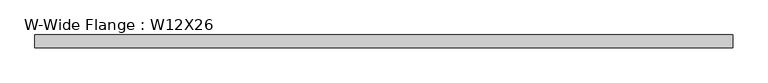
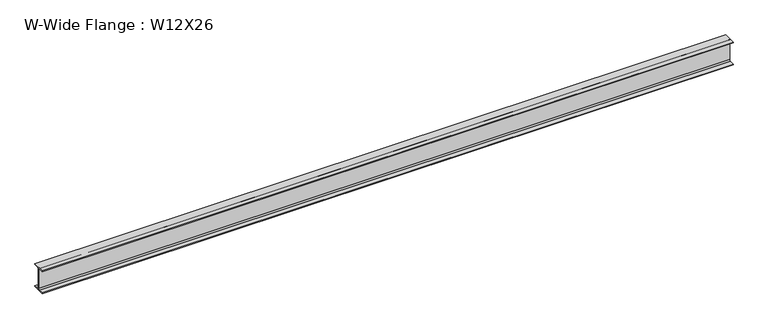
"""IFC4 building model written with IfcOpenShell, lengths in millimetres: beam geometry, W-Wide Flange : W12X26."""

from ifc_helpers import new_model, si_unit, point, frame, frame_2d, origin, place, context, project, spatial, polyline, circle_curve, trimmed, segment, composite_curve, outline, extrude, source, transform, mapped, element, save


def w_wide_flange_w12x26_6a875226(model_context):
    return source(origin(), model_context, "Body", "SweptSolid", [
        extrude(outline(composite_curve([segment(polyline([(82.4011719, -145.5539063), (82.4011719, -155.178125), (-82.4011719, -155.178125), (-82.4011719, -145.5539063), (-20.2902344, -145.5539063)]), True, "CONTINUOUS"), segment(trimmed(circle_curve(frame_2d((-20.2902344, -128.190625)), 17.3632812), [point((-20.2902344, -145.5539063))], [point((-2.9269531, -128.190625))], True, "CARTESIAN"), True, "CONTINUOUS"), segment(polyline([(-2.9269531, -128.190625), (-2.9269531, 128.190625)]), True, "CONTINUOUS"), segment(trimmed(circle_curve(frame_2d((-20.2902344, 128.190625)), 17.3632812), [point((-2.9269531, 128.190625))], [point((-20.2902344, 145.5539062))], True, "CARTESIAN"), True, "CONTINUOUS"), segment(polyline([(-20.2902344, 145.5539062), (-82.4011719, 145.5539062), (-82.4011719, 155.178125), (82.4011719, 155.178125), (82.4011719, 145.5539062), (20.2902344, 145.5539062)]), True, "CONTINUOUS"), segment(trimmed(circle_curve(frame_2d((20.2902344, 128.190625)), 17.3632812), [point((20.2902344, 145.5539062))], [point((2.9269531, 128.190625))], True, "CARTESIAN"), True, "CONTINUOUS"), segment(polyline([(2.9269531, 128.190625), (2.9269531, -128.190625)]), True, "CONTINUOUS"), segment(trimmed(circle_curve(frame_2d((20.2902344, -128.190625)), 17.3632812), [point((2.9269531, -128.190625))], [point((20.2902344, -145.5539063))], True, "CARTESIAN"), True, "CONTINUOUS"), segment(polyline([(20.2902344, -145.5539063), (82.4011719, -145.5539063)]), True, "CONTINUOUS")], self_intersect=False)), frame((-4470.4, 0.0, 0.0), z_axis=(1.0, 0.0, 0.0), x_axis=(0.0, 1.0, 0.0)), (0.0, 0.0, 1.0), 8940.8),
    ])


if __name__ == "__main__":
    model = new_model("IFC4")
    model_context = context("Model", 3, world=origin())
    ifc_project = project(units=[si_unit("LENGTHUNIT", "METRE", prefix="MILLI")], contexts=[model_context])
    site = spatial("IfcSite", under=ifc_project)
    building = spatial("IfcBuilding", under=site)
    placement = place(None, origin())
    w_wide_flange_w12x26_shape = w_wide_flange_w12x26_6a875226(model_context)
    element("IfcBeam", 1, ObjectType="W-Wide Flange : W12X26", at=placement, inside=building, context=model_context, shape_type="MappedRepresentation", body=[
        mapped(w_wide_flange_w12x26_shape, transform((0.0, 0.0, 0.0), x_axis=(1.0, 0.0, 0.0), y_axis=(0.0, 1.0, 0.0), z_axis=(0.0, 0.0, 1.0))),
    ])
    save(model, "model.ifc")
